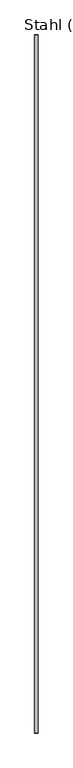
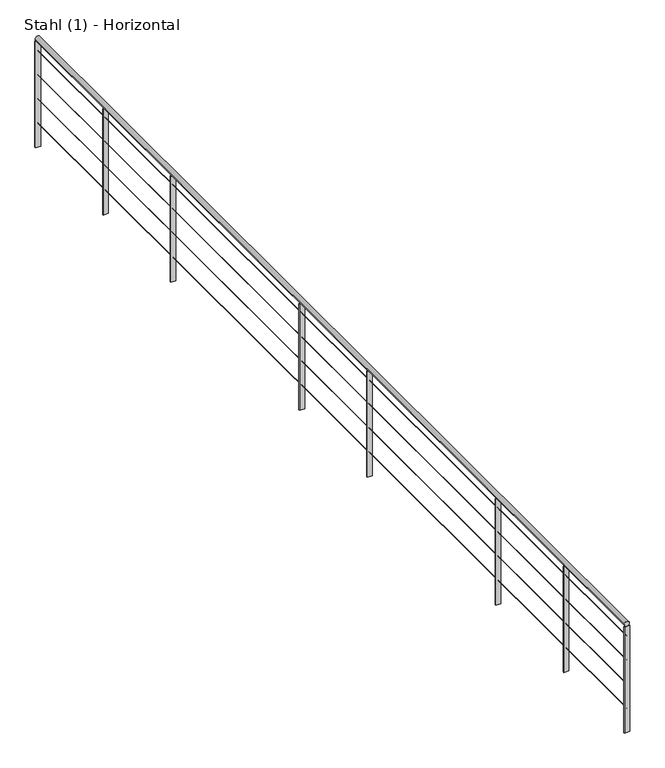
"""IFC4 building model written with IfcOpenShell, lengths in millimetres: railing geometry, Stahl (1) - Horizontal."""

from ifc_helpers import new_model, si_unit, point, frame, frame_2d, origin, place, context, project, spatial, polyline, circle_curve, trimmed, segment, composite_curve, outline, extrude, source, transform, mapped, element, save


def stahl_1_horizontal_9c981f16(model_context):
    return source(origin(), model_context, "Body", "SweptSolid", [
        extrude(outline(composite_curve([segment(trimmed(circle_curve(frame_2d((4700.0, 33025.7514238)), 20.0), [point((4700.0, 33005.7514238))], [point((4700.0, 33045.7514238))], False, "CARTESIAN"), True, "CONTINUOUS"), segment(trimmed(circle_curve(frame_2d((4700.0, 33025.7514238)), 20.0), [point((4700.0, 33045.7514238))], [point((4700.0, 33005.7514238))], False, "CARTESIAN"), True, "CONTINUOUS")], self_intersect=False)), frame((0.0, 17230.3990241, 0.0), z_axis=(0.0, 1.0, 0.0), x_axis=(0.0, 0.0, 1.0)), (0.0, 0.0, 1.0), 8017.8671634),
        extrude(outline(composite_curve([segment(trimmed(circle_curve(frame_2d((4598.5, 33025.7514238)), 1.5), [point((4598.5, 33024.2514238))], [point((4598.5, 33027.2514238))], False, "CARTESIAN"), True, "CONTINUOUS"), segment(trimmed(circle_curve(frame_2d((4598.5, 33025.7514238)), 1.5), [point((4598.5, 33027.2514238))], [point((4598.5, 33024.2514238))], False, "CARTESIAN"), True, "CONTINUOUS")], self_intersect=False)), frame((0.0, 17230.3990241, 0.0), z_axis=(0.0, 1.0, 0.0), x_axis=(0.0, 0.0, 1.0)), (0.0, 0.0, 1.0), 8017.8671634),
        extrude(outline(composite_curve([segment(trimmed(circle_curve(frame_2d((4398.5, 33025.7514238)), 1.5), [point((4398.5, 33024.2514238))], [point((4398.5, 33027.2514238))], False, "CARTESIAN"), True, "CONTINUOUS"), segment(trimmed(circle_curve(frame_2d((4398.5, 33025.7514238)), 1.5), [point((4398.5, 33027.2514238))], [point((4398.5, 33024.2514238))], False, "CARTESIAN"), True, "CONTINUOUS")], self_intersect=False)), frame((0.0, 17230.3990241, 0.0), z_axis=(0.0, 1.0, 0.0), x_axis=(0.0, 0.0, 1.0)), (0.0, 0.0, 1.0), 8017.8671634),
        extrude(outline(composite_curve([segment(trimmed(circle_curve(frame_2d((4198.5, 33025.7514238)), 1.5), [point((4198.5, 33024.2514238))], [point((4198.5, 33027.2514238))], False, "CARTESIAN"), True, "CONTINUOUS"), segment(trimmed(circle_curve(frame_2d((4198.5, 33025.7514238)), 1.5), [point((4198.5, 33027.2514238))], [point((4198.5, 33024.2514238))], False, "CARTESIAN"), True, "CONTINUOUS")], self_intersect=False)), frame((0.0, 17230.3990241, 0.0), z_axis=(0.0, 1.0, 0.0), x_axis=(0.0, 0.0, 1.0)), (0.0, 0.0, 1.0), 8017.8671634),
        extrude(outline(composite_curve([segment(trimmed(circle_curve(frame_2d((3998.5, 33025.7514238)), 1.5), [point((3998.5, 33024.2514238))], [point((3998.5, 33027.2514238))], False, "CARTESIAN"), True, "CONTINUOUS"), segment(trimmed(circle_curve(frame_2d((3998.5, 33025.7514238)), 1.5), [point((3998.5, 33027.2514238))], [point((3998.5, 33024.2514238))], False, "CARTESIAN"), True, "CONTINUOUS")], self_intersect=False)), frame((0.0, 17230.3990241, 0.0), z_axis=(0.0, 1.0, 0.0), x_axis=(0.0, 0.0, 1.0)), (0.0, 0.0, 1.0), 8017.8671634),
        extrude(outline(polyline([(33045.7514238, 18063.8335582), (33045.7514238, 18055.8335582), (33005.7514238, 18055.8335582), (33005.7514238, 18063.8335582), (33045.7514238, 18063.8335582)])), frame((0.0, 0.0, 3800.0), z_axis=(0.0, 0.0, 1.0), x_axis=(1.0, 0.0, 0.0)), (0.0, 0.0, 1.0), 880.0),
        extrude(outline(polyline([(33045.7514238, 18985.4274851), (33045.7514238, 18977.4274851), (33005.7514238, 18977.4274851), (33005.7514238, 18985.4274851), (33045.7514238, 18985.4274851)])), frame((0.0, 0.0, 3800.0), z_axis=(0.0, 0.0, 1.0), x_axis=(1.0, 0.0, 0.0)), (0.0, 0.0, 1.0), 880.0),
        extrude(outline(polyline([(33045.7514238, 20736.455946), (33045.7514238, 20728.455946), (33005.7514238, 20728.455946), (33005.7514238, 20736.455946), (33045.7514238, 20736.455946)])), frame((0.0, 0.0, 3800.0), z_axis=(0.0, 0.0, 1.0), x_axis=(1.0, 0.0, 0.0)), (0.0, 0.0, 1.0), 880.0),
        extrude(outline(polyline([(33045.7514238, 21658.0498729), (33045.7514238, 21650.0498729), (33005.7514238, 21650.0498729), (33005.7514238, 21658.0498729), (33045.7514238, 21658.0498729)])), frame((0.0, 0.0, 3800.0), z_axis=(0.0, 0.0, 1.0), x_axis=(1.0, 0.0, 0.0)), (0.0, 0.0, 1.0), 880.0),
        extrude(outline(polyline([(33045.7514238, 23409.0783338), (33045.7514238, 23401.0783338), (33005.7514238, 23401.0783338), (33005.7514238, 23409.0783338), (33045.7514238, 23409.0783338)])), frame((0.0, 0.0, 3800.0), z_axis=(0.0, 0.0, 1.0), x_axis=(1.0, 0.0, 0.0)), (0.0, 0.0, 1.0), 880.0),
        extrude(outline(polyline([(33045.7514238, 24330.6722606), (33045.7514238, 24322.6722606), (33005.7514238, 24322.6722606), (33005.7514238, 24330.6722606), (33045.7514238, 24330.6722606)])), frame((0.0, 0.0, 3800.0), z_axis=(0.0, 0.0, 1.0), x_axis=(1.0, 0.0, 0.0)), (0.0, 0.0, 1.0), 880.0),
        extrude(outline(polyline([(33045.7514238, 17234.3990241), (33045.7514238, 17226.3990241), (33005.7514238, 17226.3990241), (33005.7514238, 17234.3990241), (33045.7514238, 17234.3990241)])), frame((0.0, 0.0, 3800.0), z_axis=(0.0, 0.0, 1.0), x_axis=(1.0, 0.0, 0.0)), (0.0, 0.0, 1.0), 880.0),
        extrude(outline(polyline([(33045.7514238, 25252.2661875), (33045.7514238, 25244.2661875), (33005.7514238, 25244.2661875), (33005.7514238, 25252.2661875), (33045.7514238, 25252.2661875)])), frame((0.0, 0.0, 3800.0), z_axis=(0.0, 0.0, 1.0), x_axis=(1.0, 0.0, 0.0)), (0.0, 0.0, 1.0), 880.0),
    ])


if __name__ == "__main__":
    model = new_model("IFC4")
    model_context = context("Model", 3, world=origin())
    ifc_project = project(units=[si_unit("LENGTHUNIT", "METRE", prefix="MILLI")], contexts=[model_context])
    site = spatial("IfcSite", under=ifc_project)
    building = spatial("IfcBuilding", under=site)
    placement = place(None, origin())
    stahl_1_horizontal_shape = stahl_1_horizontal_9c981f16(model_context)
    element("IfcRailing", 1, ObjectType="Stahl (1) - Horizontal", at=placement, inside=building, context=model_context, shape_type="MappedRepresentation", body=[
        mapped(stahl_1_horizontal_shape, transform((0.0, 0.0, 0.0), x_axis=(1.0, 0.0, 0.0), y_axis=(0.0, 1.0, 0.0), z_axis=(0.0, 0.0, 1.0))),
    ])
    save(model, "model.ifc")
